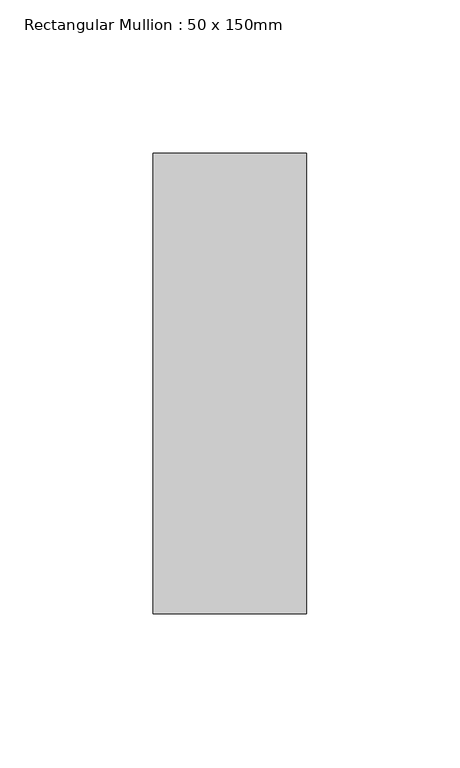
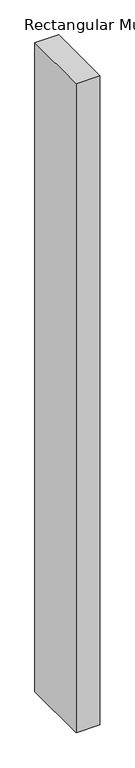
"""IFC4 building model written with IfcOpenShell, lengths in millimetres: member geometry, Rectangular Mullion : 50 x 150mm."""

from ifc_helpers import new_model, si_unit, frame, origin, place, context, project, spatial, polyline, outline, extrude, source, transform, mapped, element, save


def rectangular_mullion_50_x_150mm_2f356bf4(model_context):
    return source(origin(), model_context, "Body", "SweptSolid", [
        extrude(outline(polyline([(25.0, 75.0), (25.0, -75.0), (-25.0, -75.0), (-25.0, 75.0), (25.0, 75.0)])), frame((0.0, 0.0, -1447.1963877), z_axis=(0.0, 0.0, 1.0), x_axis=(1.0, 0.0, 0.0)), (0.0, 0.0, 1.0), 1447.1963877),
    ])


if __name__ == "__main__":
    model = new_model("IFC4")
    model_context = context("Model", 3, world=origin())
    ifc_project = project(units=[si_unit("LENGTHUNIT", "METRE", prefix="MILLI")], contexts=[model_context])
    site = spatial("IfcSite", under=ifc_project)
    building = spatial("IfcBuilding", under=site)
    placement = place(None, origin())
    rectangular_mullion_50_x_150mm_shape = rectangular_mullion_50_x_150mm_2f356bf4(model_context)
    element("IfcMember", 1, ObjectType="Rectangular Mullion : 50 x 150mm", at=placement, inside=building, context=model_context, shape_type="MappedRepresentation", body=[
        mapped(rectangular_mullion_50_x_150mm_shape, transform((0.0, 0.0, 0.0), x_axis=(1.0, 0.0, 0.0), y_axis=(0.0, 1.0, 0.0), z_axis=(0.0, 0.0, 1.0))),
    ])
    save(model, "model.ifc")
